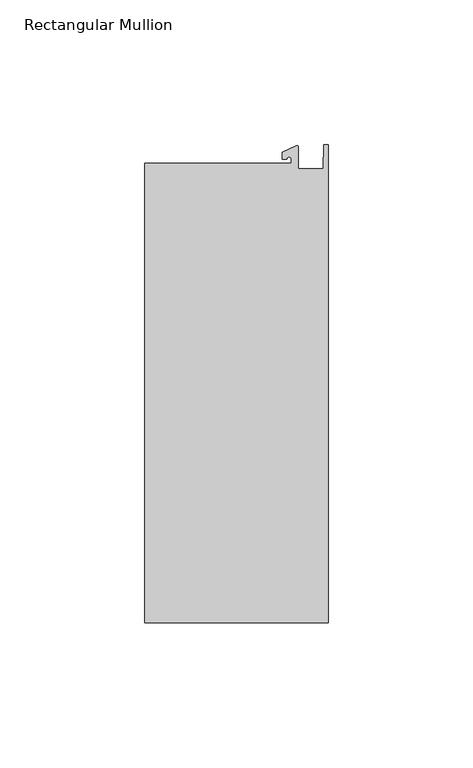
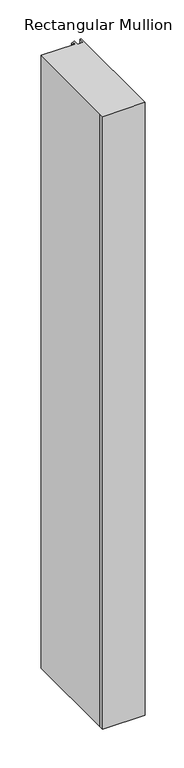
"""IFC4 building model written with IfcOpenShell, lengths in millimetres: member geometry, Rectangular Mullion."""

from ifc_helpers import new_model, si_unit, point, frame, frame_2d, origin, place, context, project, spatial, polyline, circle_curve, trimmed, segment, composite_curve, outline, extrude, source, transform, mapped, element, save


def rectangular_mullion_3326f977(model_context):
    return source(origin(), model_context, "Body", "SweptSolid", [
        extrude(outline(composite_curve([segment(polyline([(-12.6979967, 25.796875), (-12.6979967, 27.2067741)]), True, "CONTINUOUS"), segment(trimmed(circle_curve(frame_2d((-13.4917467, 27.2067741)), 0.79375), [point((-12.6979967, 27.2067741))], [point((-14.2854967, 27.2067741))], True, "CARTESIAN"), True, "CONTINUOUS"), segment(polyline([(-14.2854967, 27.2067741), (-15.8729967, 27.2067741), (-15.8729967, 29.5689734), (-11.0330867, 31.8258605)]), True, "CONTINUOUS"), segment(trimmed(circle_curve(frame_2d((-10.8183967, 31.3654561)), 0.508), [point((-11.0330867, 31.8258605))], [point((-10.3103967, 31.3654561))], False, "CARTESIAN"), True, "CONTINUOUS"), segment(polyline([(-10.3103967, 31.3654561), (-10.3103967, 23.9227662), (-1.7144124, 23.9227662), (-1.5658966, 32.288874), (0.0, 32.288874), (0.0, -133.227327), (-63.5, -133.227327), (-63.5, -125.4813672), (-63.5, 25.796875), (-12.6979967, 25.796875)]), True, "CONTINUOUS")], self_intersect=False)), frame((0.0, 0.0, -965.2), z_axis=(0.0, 0.0, 1.0), x_axis=(1.0, 0.0, 0.0)), (0.0, 0.0, 1.0), 965.2),
    ])


if __name__ == "__main__":
    model = new_model("IFC4")
    model_context = context("Model", 3, world=origin())
    ifc_project = project(units=[si_unit("LENGTHUNIT", "METRE", prefix="MILLI")], contexts=[model_context])
    site = spatial("IfcSite", under=ifc_project)
    building = spatial("IfcBuilding", under=site)
    placement = place(None, origin())
    rectangular_mullion_shape = rectangular_mullion_3326f977(model_context)
    element("IfcMember", 1, ObjectType="Rectangular Mullion", at=placement, inside=building, context=model_context, shape_type="MappedRepresentation", body=[
        mapped(rectangular_mullion_shape, transform((0.0, 0.0, 0.0), x_axis=(1.0, 0.0, 0.0), y_axis=(0.0, 1.0, 0.0), z_axis=(0.0, 0.0, 1.0))),
    ])
    save(model, "model.ifc")
